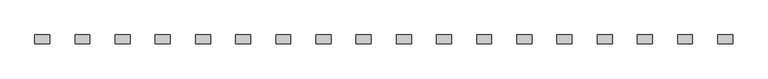
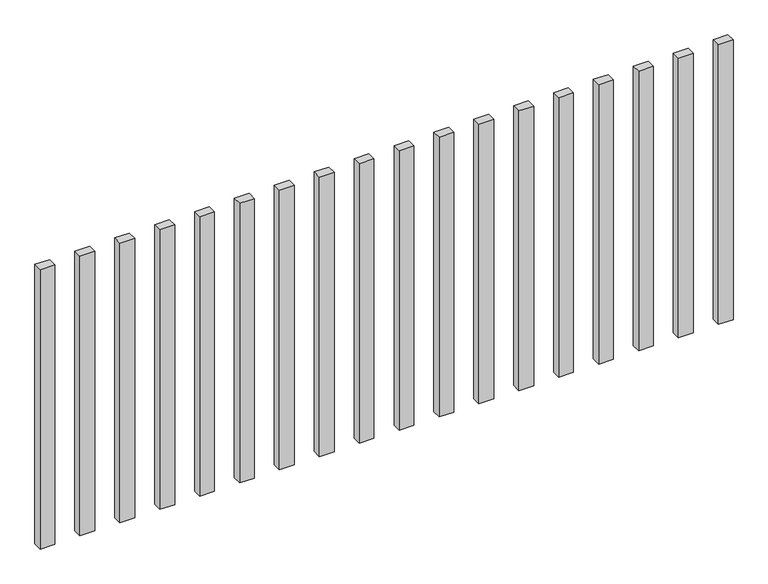
"""IFC4 building model written with IfcOpenShell, lengths in millimetres: railing geometry."""

import ifcopenshell
import ifcopenshell.guid

model = None  # the IFC model being written
_history = None  # IfcOwnerHistory: only IFC2X3 demands one
_inside = {}  # id of a spatial element -> (the spatial element, [elements in it])
_under = {}  # id of a project, library or spatial element -> (it, [spatial elements below it])
_declared = {}  # id of a project -> (the project, [libraries it declares])
_typed = {}  # id of a type object -> (the type object, [elements of that type])
_made_of = {}  # id of a material, layer set ... -> (it, [elements and type objects made of it])


def new_model(schema):
    """Start an empty IFC model of exactly this schema.

    Asked for "IFC4X3", IfcOpenShell would pick the latest addendum, in which some entities
    have other attributes; the version numbers below select the first issue.
    IFC2X3 requires an IfcOwnerHistory on every rooted entity: one is made here for all.
    """
    global model, _history
    if schema == "IFC4X3":
        model = ifcopenshell.file(schema_version=(4, 3, 0, 0))
    else:
        model = ifcopenshell.file(schema=schema)
    _inside.clear()
    _under.clear()
    _declared.clear()
    _typed.clear()
    _made_of.clear()
    _history = None
    if model.schema == "IFC2X3":
        org = make("IfcOrganization", Name="unknown")
        user = make(
            "IfcPersonAndOrganization",
            ThePerson=make("IfcPerson", FamilyName="unknown"),
            TheOrganization=org,
        )
        app = make(
            "IfcApplication",
            ApplicationDeveloper=org,
            Version="unknown",
            ApplicationFullName="unknown",
            ApplicationIdentifier="unknown",
        )
        _history = make(
            "IfcOwnerHistory",
            OwningUser=user,
            OwningApplication=app,
            ChangeAction="ADDED",
            CreationDate=0,
        )
    return model


def make(cls, **values):
    """One entity of the class cls with the attributes given. An attribute that is None is left unset."""
    return model.create_entity(
        cls, **{name: value for name, value in values.items() if value is not None}
    )


def rooted(cls, **values):
    """An entity with a GlobalId (a new one), such as an element, a storey or a relation."""
    return make(cls, GlobalId=ifcopenshell.guid.new(), OwnerHistory=_history, **values)


def si_unit(unit_type, name, prefix=None):
    """IfcSIUnit, for example si_unit("LENGTHUNIT", "METRE", prefix="MILLI")."""
    return make("IfcSIUnit", UnitType=unit_type, Prefix=prefix, Name=name)


def assignment(units):
    """IfcUnitAssignment: the units of a project."""
    return None if units is None else make("IfcUnitAssignment", Units=units)


def point(xyz):
    """IfcCartesianPoint."""
    return None if xyz is None else make("IfcCartesianPoint", Coordinates=xyz)


def direction(xyz):
    """IfcDirection."""
    return None if xyz is None else make("IfcDirection", DirectionRatios=xyz)


def frame(location, z_axis=None, x_axis=None):
    """IfcAxis2Placement3D, a coordinate frame: its origin and axes. An axis left out is left unset."""
    return make(
        "IfcAxis2Placement3D",
        Location=point(location),
        Axis=direction(z_axis),
        RefDirection=direction(x_axis),
    )


def origin():
    """The frame at (0, 0, 0) with its axes left unset."""
    return frame((0.0, 0.0, 0.0))


def origin_with_axes():
    """The frame at (0, 0, 0) with the z axis (0, 0, 1) and the x axis (1, 0, 0) written out."""
    return frame((0.0, 0.0, 0.0), z_axis=(0.0, 0.0, 1.0), x_axis=(1.0, 0.0, 0.0))


def place(relative_to, where):
    """IfcLocalPlacement: puts the frame where relative to a parent placement (None: the world)."""
    return make(
        "IfcLocalPlacement", PlacementRelTo=relative_to, RelativePlacement=where
    )


def context(
    kind, dimensions, precision=None, world=None, true_north=None, identifier=None
):
    """IfcGeometricRepresentationContext, for example the 3D "Model" context."""
    return make(
        "IfcGeometricRepresentationContext",
        ContextIdentifier=identifier,
        ContextType=kind,
        CoordinateSpaceDimension=dimensions,
        Precision=precision,
        WorldCoordinateSystem=world,
        TrueNorth=true_north,
    )


def project(units=None, contexts=None):
    """IfcProject with its units and contexts."""
    return rooted(
        "IfcProject",
        Name="project",
        RepresentationContexts=contexts,
        UnitsInContext=assignment(units),
    )


def spatial(cls, under=None, at=None, **own):
    """A site, building, storey or space (cls), placed at a placement, below another one or the project."""
    s = rooted(cls, ObjectPlacement=at, **own)
    if under is not None:
        _under.setdefault(under.id(), (under, []))[1].append(s)
    return s


def polyline(points):
    """IfcPolyline through the points."""
    return make("IfcPolyline", Points=[point(p) for p in points])


def outline(outer, holes=None, kind="AREA"):
    """IfcArbitraryClosedProfileDef: a profile drawn as a closed curve; with holes, ...WithVoids."""
    if holes is None:
        return make("IfcArbitraryClosedProfileDef", ProfileType=kind, OuterCurve=outer)
    return make(
        "IfcArbitraryProfileDefWithVoids",
        ProfileType=kind,
        OuterCurve=outer,
        InnerCurves=holes,
    )


def extrude(swept, where, along, depth):
    """IfcExtrudedAreaSolid: the profile swept, set in the frame where, extruded along a direction by depth."""
    return make(
        "IfcExtrudedAreaSolid",
        SweptArea=swept,
        Position=where,
        ExtrudedDirection=direction(along),
        Depth=depth,
    )


def shape(context_of_items, identifier, shape_type, items):
    """IfcShapeRepresentation: the items that make up one representation, for example the "Body"."""
    return make(
        "IfcShapeRepresentation",
        ContextOfItems=context_of_items,
        RepresentationIdentifier=identifier,
        RepresentationType=shape_type,
        Items=items,
    )


def source(mapping_origin, context_of_items, identifier, shape_type, items):
    """IfcRepresentationMap: a shape defined once, which mapped items show again and again."""
    return make(
        "IfcRepresentationMap",
        MappingOrigin=mapping_origin,
        MappedRepresentation=shape(context_of_items, identifier, shape_type, items),
    )


def transform(
    local_origin,
    x_axis=None,
    y_axis=None,
    z_axis=None,
    scale=None,
    scale2=None,
    scale3=None,
    uniform=True,
):
    """IfcCartesianTransformationOperator3D, or its non-uniform kind. x_axis, y_axis, z_axis: its Axis1, 2, 3."""
    if uniform:
        return make(
            "IfcCartesianTransformationOperator3D",
            Axis1=direction(x_axis),
            Axis2=direction(y_axis),
            LocalOrigin=point(local_origin),
            Scale=scale,
            Axis3=direction(z_axis),
        )
    return make(
        "IfcCartesianTransformationOperator3DnonUniform",
        Axis1=direction(x_axis),
        Axis2=direction(y_axis),
        LocalOrigin=point(local_origin),
        Scale=scale,
        Axis3=direction(z_axis),
        Scale2=scale2,
        Scale3=scale3,
    )


def mapped(mapping_source, mapping_target):
    """IfcMappedItem: shows the shape of a source again, moved by a transform."""
    return make(
        "IfcMappedItem", MappingSource=mapping_source, MappingTarget=mapping_target
    )


def made_of(thing, what):
    """Note that an element or type object is made of a material, layer set ...; save() writes the relation."""
    if what is not None:
        _made_of.setdefault(what.id(), (what, []))[1].append(thing)
    return thing


def element(
    cls,
    number,
    at=None,
    inside=None,
    cuts=None,
    type_object=None,
    material=None,
    context=None,
    identifier="Body",
    shape_type=None,
    held_by="IfcProductDefinitionShape",
    body=None,
    shapes=None,
    **own,
):
    """One element of the class cls, such as IfcWall. Its Tag is "e" and its number.

    at: its placement. inside: the storey or other place that contains it. cuts: it is an
    opening in that element (IfcRelVoidsElement). A single representation is given by context,
    identifier, shape_type and body (its items); several are given by shapes. held_by: the class
    of the entity that holds the representations. save() writes the other relations.
    """
    e = rooted(cls, Tag="e%d" % number, ObjectPlacement=at, **own)
    if body is not None:
        shapes = [shape(context, identifier, shape_type, body)]
    if shapes is not None:
        e.Representation = make(held_by, Representations=shapes)
    if inside is not None:
        _inside.setdefault(inside.id(), (inside, []))[1].append(e)
    if cuts is not None:
        rooted(
            "IfcRelVoidsElement", RelatingBuildingElement=cuts, RelatedOpeningElement=e
        )
    if type_object is not None:
        _typed.setdefault(type_object.id(), (type_object, []))[1].append(e)
    return made_of(e, material)


def aggregate(whole, parts):
    """IfcRelAggregates: a whole, such as a stair, and the parts it consists of."""
    return rooted("IfcRelAggregates", RelatingObject=whole, RelatedObjects=parts)


def save(model, path):
    """Write the relations noted so far, then the file.

    IfcRelAggregates (storeys below a building ...), IfcRelContainedInSpatialStructure (elements
    in a storey), IfcRelDefinesByType, IfcRelAssociatesMaterial and IfcRelDeclares: one each for
    every whole, place, type object, material and project.
    """
    for whole, parts in _under.values():
        aggregate(whole, parts)
    for where, things in _inside.values():
        rooted(
            "IfcRelContainedInSpatialStructure",
            RelatedElements=things,
            RelatingStructure=where,
        )
    for kind, things in _typed.values():
        rooted("IfcRelDefinesByType", RelatedObjects=things, RelatingType=kind)
    for what, things in _made_of.values():
        rooted("IfcRelAssociatesMaterial", RelatedObjects=things, RelatingMaterial=what)
    for by, libraries in _declared.values():
        rooted("IfcRelDeclares", RelatingContext=by, RelatedDefinitions=libraries)
    model.write(path)


def railing_a8501ab8(model_context):
    return source(origin(), model_context, "Body", "SweptSolid", [
        extrude(outline(polyline([(-5907.5700772, -85444.0267127), (-5907.5700772, -85414.0267127), (-5857.5700772, -85414.0267127), (-5857.5700772, -85444.0267127), (-5907.5700772, -85444.0267127)])), origin_with_axes(), (0.0, 0.0, 1.0), 1000.0),
        extrude(outline(polyline([(-6042.5700772, -85444.0267127), (-6042.5700772, -85414.0267127), (-5992.5700772, -85414.0267127), (-5992.5700772, -85444.0267127), (-6042.5700772, -85444.0267127)])), origin_with_axes(), (0.0, 0.0, 1.0), 1000.0),
        extrude(outline(polyline([(-6177.5700772, -85444.0267127), (-6177.5700772, -85414.0267127), (-6127.5700772, -85414.0267127), (-6127.5700772, -85444.0267127), (-6177.5700772, -85444.0267127)])), origin_with_axes(), (0.0, 0.0, 1.0), 1000.0),
        extrude(outline(polyline([(-6312.5700772, -85444.0267127), (-6312.5700772, -85414.0267127), (-6262.5700772, -85414.0267127), (-6262.5700772, -85444.0267127), (-6312.5700772, -85444.0267127)])), origin_with_axes(), (0.0, 0.0, 1.0), 1000.0),
        extrude(outline(polyline([(-6447.5700772, -85444.0267127), (-6447.5700772, -85414.0267127), (-6397.5700772, -85414.0267127), (-6397.5700772, -85444.0267127), (-6447.5700772, -85444.0267127)])), origin_with_axes(), (0.0, 0.0, 1.0), 1000.0),
        extrude(outline(polyline([(-6582.5700772, -85444.0267127), (-6582.5700772, -85414.0267127), (-6532.5700772, -85414.0267127), (-6532.5700772, -85444.0267127), (-6582.5700772, -85444.0267127)])), origin_with_axes(), (0.0, 0.0, 1.0), 1000.0),
        extrude(outline(polyline([(-6717.5700772, -85444.0267127), (-6717.5700772, -85414.0267127), (-6667.5700772, -85414.0267127), (-6667.5700772, -85444.0267127), (-6717.5700772, -85444.0267127)])), origin_with_axes(), (0.0, 0.0, 1.0), 1000.0),
        extrude(outline(polyline([(-6852.5700772, -85444.0267127), (-6852.5700772, -85414.0267127), (-6802.5700772, -85414.0267127), (-6802.5700772, -85444.0267127), (-6852.5700772, -85444.0267127)])), origin_with_axes(), (0.0, 0.0, 1.0), 1000.0),
        extrude(outline(polyline([(-6987.5700772, -85444.0267127), (-6987.5700772, -85414.0267127), (-6937.5700772, -85414.0267127), (-6937.5700772, -85444.0267127), (-6987.5700772, -85444.0267127)])), origin_with_axes(), (0.0, 0.0, 1.0), 1000.0),
        extrude(outline(polyline([(-7122.5700772, -85444.0267127), (-7122.5700772, -85414.0267127), (-7072.5700772, -85414.0267127), (-7072.5700772, -85444.0267127), (-7122.5700772, -85444.0267127)])), origin_with_axes(), (0.0, 0.0, 1.0), 1000.0),
        extrude(outline(polyline([(-7257.5700772, -85444.0267127), (-7257.5700772, -85414.0267127), (-7207.5700772, -85414.0267127), (-7207.5700772, -85444.0267127), (-7257.5700772, -85444.0267127)])), origin_with_axes(), (0.0, 0.0, 1.0), 1000.0),
        extrude(outline(polyline([(-7392.5700772, -85444.0267127), (-7392.5700772, -85414.0267127), (-7342.5700772, -85414.0267127), (-7342.5700772, -85444.0267127), (-7392.5700772, -85444.0267127)])), origin_with_axes(), (0.0, 0.0, 1.0), 1000.0),
        extrude(outline(polyline([(-7527.5700772, -85444.0267127), (-7527.5700772, -85414.0267127), (-7477.5700772, -85414.0267127), (-7477.5700772, -85444.0267127), (-7527.5700772, -85444.0267127)])), origin_with_axes(), (0.0, 0.0, 1.0), 1000.0),
        extrude(outline(polyline([(-7662.5700772, -85444.0267127), (-7662.5700772, -85414.0267127), (-7612.5700772, -85414.0267127), (-7612.5700772, -85444.0267127), (-7662.5700772, -85444.0267127)])), origin_with_axes(), (0.0, 0.0, 1.0), 1000.0),
        extrude(outline(polyline([(-7797.5700772, -85444.0267127), (-7797.5700772, -85414.0267127), (-7747.5700772, -85414.0267127), (-7747.5700772, -85444.0267127), (-7797.5700772, -85444.0267127)])), origin_with_axes(), (0.0, 0.0, 1.0), 1000.0),
        extrude(outline(polyline([(-7932.5700772, -85444.0267127), (-7932.5700772, -85414.0267127), (-7882.5700772, -85414.0267127), (-7882.5700772, -85444.0267127), (-7932.5700772, -85444.0267127)])), origin_with_axes(), (0.0, 0.0, 1.0), 1000.0),
        extrude(outline(polyline([(-8067.5700772, -85444.0267127), (-8067.5700772, -85414.0267127), (-8017.5700772, -85414.0267127), (-8017.5700772, -85444.0267127), (-8067.5700772, -85444.0267127)])), origin_with_axes(), (0.0, 0.0, 1.0), 1000.0),
        extrude(outline(polyline([(-8202.5700772, -85444.0267127), (-8202.5700772, -85414.0267127), (-8152.5700772, -85414.0267127), (-8152.5700772, -85444.0267127), (-8202.5700772, -85444.0267127)])), origin_with_axes(), (0.0, 0.0, 1.0), 1000.0),
    ])


if __name__ == "__main__":
    model = new_model("IFC4")
    model_context = context("Model", 3, world=origin())
    ifc_project = project(units=[si_unit("LENGTHUNIT", "METRE", prefix="MILLI")], contexts=[model_context])
    site = spatial("IfcSite", under=ifc_project)
    building = spatial("IfcBuilding", under=site)
    placement = place(None, origin())
    railing_shape = railing_a8501ab8(model_context)
    element("IfcRailing", 1, at=placement, inside=building, context=model_context, shape_type="MappedRepresentation", body=[
        mapped(railing_shape, transform((0.0, 0.0, 0.0), x_axis=(1.0, 0.0, 0.0), y_axis=(0.0, 1.0, 0.0), z_axis=(0.0, 0.0, 1.0))),
    ])
    save(model, "model.ifc")
